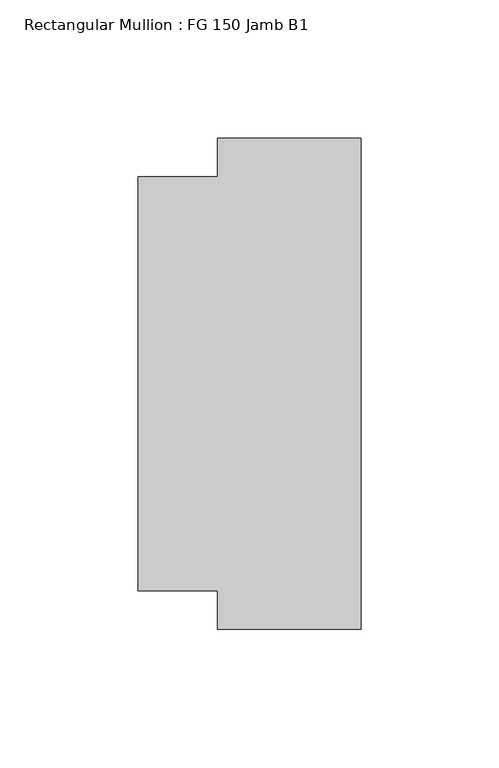
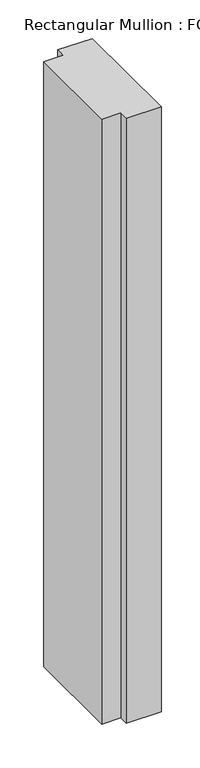
"""IFC4 building model written with IfcOpenShell, lengths in millimetres: member geometry, Rectangular Mullion : FG 150 Jamb B1."""

from ifc_helpers import new_model, si_unit, frame, origin, place, context, project, spatial, polyline, outline, extrude, source, transform, mapped, element, save


def rectangular_mullion_fg_150_jamb_b1_2ca659dd(model_context):
    return source(origin(), model_context, "Body", "SweptSolid", [
        extrude(outline(polyline([(0.0, 89.0001604), (0.0, -89.0053119), (-52.0, -89.0053119), (-52.0, -75.0), (-80.9079314, -75.0), (-80.9079314, 75.0), (-52.0, 75.0), (-52.0, 89.0001604), (0.0, 89.0001604)])), frame((0.0, 0.0, -959.0045338), z_axis=(0.0, 0.0, 1.0), x_axis=(1.0, 0.0, 0.0)), (0.0, 0.0, 1.0), 959.0045338),
    ])


if __name__ == "__main__":
    model = new_model("IFC4")
    model_context = context("Model", 3, world=origin())
    ifc_project = project(units=[si_unit("LENGTHUNIT", "METRE", prefix="MILLI")], contexts=[model_context])
    site = spatial("IfcSite", under=ifc_project)
    building = spatial("IfcBuilding", under=site)
    placement = place(None, origin())
    rectangular_mullion_fg_150_jamb_b1_shape = rectangular_mullion_fg_150_jamb_b1_2ca659dd(model_context)
    element("IfcMember", 1, ObjectType="Rectangular Mullion : FG 150 Jamb B1", at=placement, inside=building, context=model_context, shape_type="MappedRepresentation", body=[
        mapped(rectangular_mullion_fg_150_jamb_b1_shape, transform((0.0, 0.0, 0.0), x_axis=(1.0, 0.0, 0.0), y_axis=(0.0, 1.0, 0.0), z_axis=(0.0, 0.0, 1.0))),
    ])
    save(model, "model.ifc")
